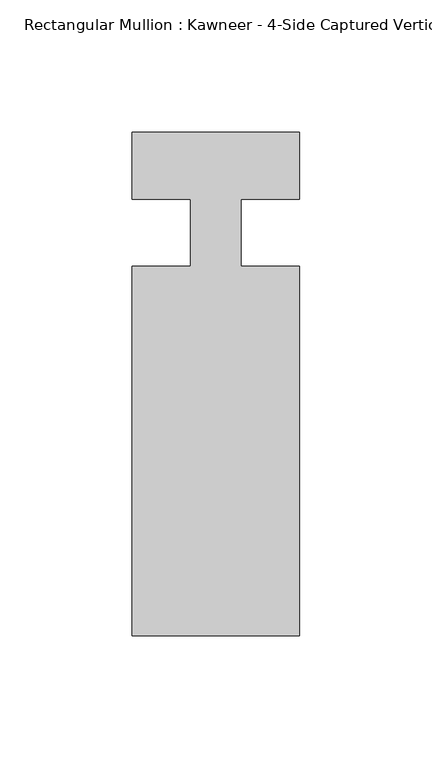
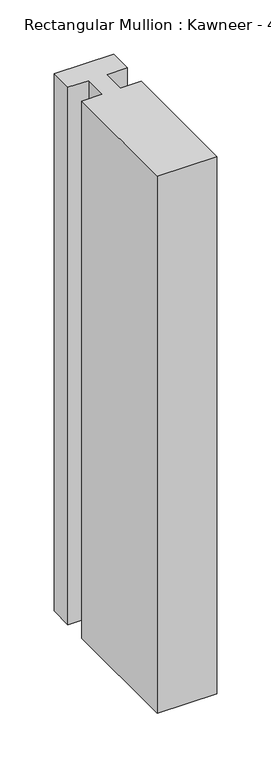
"""IFC4 building model written with IfcOpenShell, lengths in millimetres: member geometry."""

from ifc_helpers import new_model, si_unit, frame, origin, place, context, project, spatial, polyline, outline, extrude, source, transform, mapped, element, save


def member_373d2d55(model_context):
    return source(origin(), model_context, "Body", "SweptSolid", [
        extrude(outline(polyline([(-9.5251132, 12.7), (-31.75, 12.7), (-31.75, 38.1), (31.75, 38.1), (31.75, 12.7), (9.5251132, 12.7), (9.5251132, -12.7), (31.75, -12.7), (31.75, -152.399995), (-31.75, -152.399995), (-31.75, -12.7), (-9.5251132, -12.7), (-9.5251132, 12.7)])), frame((0.0, 0.0, -606.4249623), z_axis=(0.0, 0.0, 1.0), x_axis=(1.0, 0.0, 0.0)), (0.0, 0.0, 1.0), 606.4249623),
    ])


if __name__ == "__main__":
    model = new_model("IFC4")
    model_context = context("Model", 3, world=origin())
    ifc_project = project(units=[si_unit("LENGTHUNIT", "METRE", prefix="MILLI")], contexts=[model_context])
    site = spatial("IfcSite", under=ifc_project)
    building = spatial("IfcBuilding", under=site)
    placement = place(None, origin())
    member_shape = member_373d2d55(model_context)
    element("IfcMember", 1, ObjectType="Rectangular Mullion : Kawneer - 4-Side Captured Vertical Mullion - 7 1/2\"", at=placement, inside=building, context=model_context, shape_type="MappedRepresentation", body=[
        mapped(member_shape, transform((0.0, 0.0, 0.0), x_axis=(1.0, 0.0, 0.0), y_axis=(0.0, 1.0, 0.0), z_axis=(0.0, 0.0, 1.0))),
    ])
    save(model, "model.ifc")
